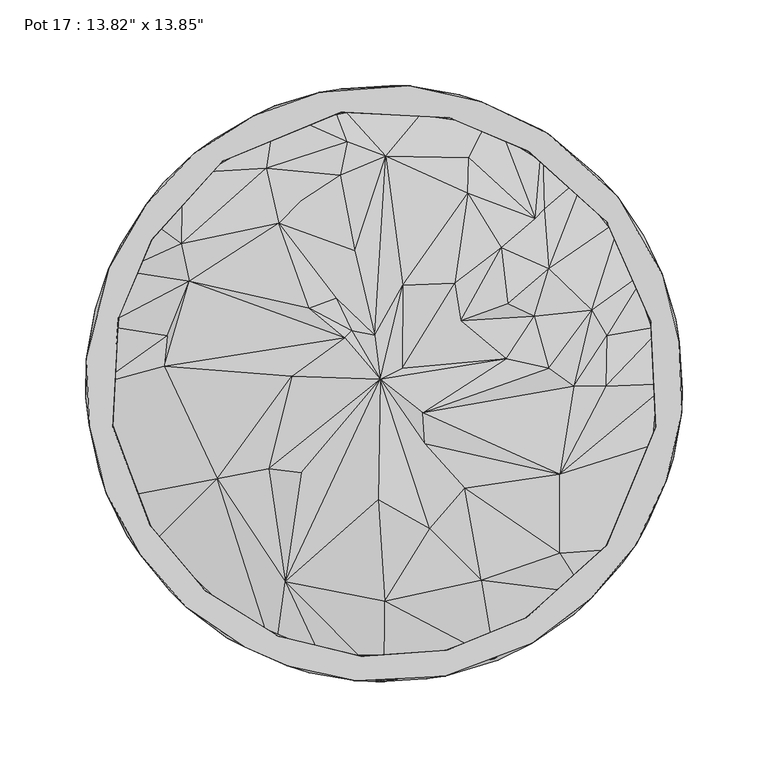
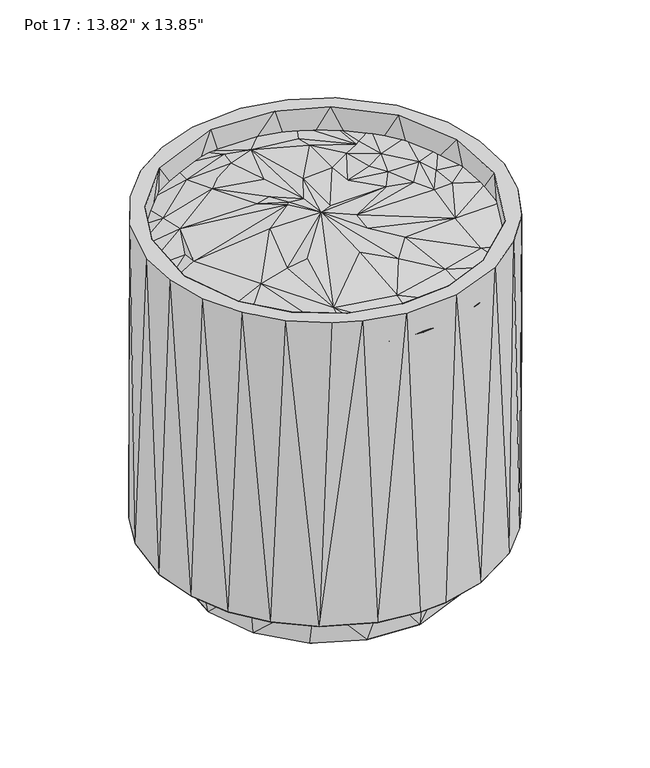
"""IFC4 building model written with IfcOpenShell, lengths in millimetres: furniture geometry."""

from ifc_helpers import new_model, si_unit, origin, place, context, project, spatial, triangles, source, transform, mapped, element, save


def furniture_623e7127(model_context):
    return source(origin(), model_context, "Body", "Tessellation", [
        triangles([(-91.2573295, -142.9584887, 346.9267891), (-63.6370177, -160.4206042, 348.4945713), (-138.3760014, -96.6887203, 348.6381309), (-116.2211854, -121.5964115, 346.9267891), (-32.1354863, -169.7817334, 347.9795955), (-57.5521012, -115.5260244, 360.2334987), (-97.1488939, -55.6866763, 363.842944), (0.3688336, -173.8039261, 348.5876252), (32.4027528, -168.6066779, 346.9267891), (64.3107911, -160.6133068, 348.6967755), (0.6771087, -127.0783534, 360.5346794), (91.7863851, -142.9583706, 346.9267891), (117.5322518, -122.2774655, 347.8164514), (56.8325503, -114.9286317, 361.1543364), (-3.2985212, -67.9220987, 372.0988355), (-67.1005236, -49.7156155, 366.07602), (-48.1340896, -52.1065806, 371.4786698), (-2.120018, 2.4438427, 372.7407294), (26.8480773, -84.6302176, 365.0974096), (102.6654267, -99.1087398, 358.3619923), (47.3117833, -61.0043478, 366.4751962), (138.847348, -96.3460995, 348.4401052), (-153.4261728, -66.261308, 348.2293985), (23.7481598, -35.0714558, 369.1351356), (102.6833035, -53.0649432, 363.1277261), (152.4600981, -65.8692352, 346.9267891), (163.0093997, -33.8624634, 347.9338497), (-128.1888506, 10.0837833, 358.9208244), (-165.8689998, -0.245586, 348.1039701), (-161.3054339, -33.6461135, 346.9267164), (-53.7064057, 4.243929, 371.5651108), (22.7267741, -16.9677961, 373.0269402), (166.1593891, -0.1558065, 347.9022019), (110.7563936, -1.7363764, 359.6016332), (129.6067238, -1.6208402, 360.2914166), (71.4724043, 14.5400236, 366.7469819), (96.0936531, 8.8235922, 366.4041613), (-126.3670959, 27.9564331, 354.3285539), (-163.0446991, 33.6437449, 348.4079123), (-22.9306225, 26.7058622, 373.117923), (-113.5172807, 59.523061, 359.1073319), (10.8838083, 8.8160748, 371.1378476), (11.0161301, 57.3606476, 370.5624467), (-18.6123848, 30.8492366, 371.7339231), (-5.1922799, 28.1763143, 372.732445), (44.8455821, 36.4650049, 370.1521883), (41.3565645, 58.4782302, 371.5900366), (87.6889245, 39.2448475, 362.5514168), (121.4289707, 42.632336, 359.1992595), (130.1081194, 27.9566443, 355.952837), (163.2831111, 33.6619329, 348.1705359), (-152.8790042, 65.8833605, 347.7625302), (-43.4050541, 44.0214182, 371.1005316), (-27.8627865, 49.6663543, 369.5081142), (-61.2168303, 93.4570135, 363.5056463), (1.2302399, 132.5599864, 359.6989746), (-16.992807, 77.4316654, 367.8861566), (72.2064983, 46.5289686, 369.6868461), (68.4525986, 79.1788153, 364.7949572), (96.234324, 66.8462423, 361.9931296), (153.5873367, 66.083103, 347.9648071), (138.2801497, 95.8969264, 347.9505275), (-118.0539133, 81.6108343, 358.8365999), (-137.2196675, 95.6054016, 347.4376591), (49.1013543, 111.1069355, 361.277948), (88.4299312, 96.2049472, 357.4399192), (93.6369898, 101.6828377, 355.3833587), (117.8145384, 122.2911728, 348.1584726), (-117.5227139, 122.5253519, 348.4467545), (-68.4931258, 125.604706, 356.1446494), (-49.0312595, 106.0098265, 362.2604462), (-25.415182, 121.3583537, 361.2890665), (92.3762292, 143.6239005, 347.8830897), (49.6442309, 131.628003, 355.4751409), (63.8377686, 159.7219186, 348.0378041), (-63.3389936, 159.7100189, 348.0378041), (-91.2575747, 142.6887832, 346.9267164), (-21.2001799, 141.0901707, 357.9399613), (32.6304438, 170.073031, 348.4533674), (-32.1950915, 169.3462222, 347.8485715), (0.2646446, 171.6377792, 346.9267164)], [[1, 2, 3], [1, 3, 4], [2, 5, 6], [2, 6, 7], [2, 7, 3], [5, 8, 6], [8, 9, 10], [8, 10, 11], [8, 11, 6], [10, 12, 13], [10, 14, 11], [10, 13, 14], [6, 11, 15], [6, 16, 7], [6, 17, 16], [6, 15, 18], [6, 18, 17], [11, 14, 19], [11, 19, 15], [14, 13, 20], [14, 20, 21], [14, 21, 19], [13, 22, 20], [3, 7, 23], [19, 21, 24], [19, 24, 18], [19, 18, 15], [20, 22, 25], [20, 25, 21], [22, 26, 27], [22, 27, 25], [23, 7, 28], [23, 29, 30], [23, 28, 29], [7, 16, 31], [7, 31, 28], [16, 17, 18], [16, 18, 31], [21, 25, 24], [25, 32, 24], [25, 27, 33], [25, 34, 32], [25, 35, 34], [25, 33, 35], [32, 18, 24], [32, 36, 18], [32, 37, 36], [32, 34, 37], [29, 28, 38], [29, 38, 39], [28, 40, 41], [28, 31, 40], [28, 41, 38], [31, 18, 40], [18, 42, 43], [18, 36, 42], [18, 44, 40], [18, 45, 44], [18, 43, 45], [42, 36, 46], [42, 46, 47], [42, 47, 43], [36, 37, 48], [36, 48, 46], [37, 34, 49], [37, 49, 48], [34, 35, 50], [34, 50, 49], [35, 33, 51], [35, 51, 50], [39, 38, 41], [39, 41, 52], [53, 40, 44], [53, 44, 54], [53, 41, 40], [53, 54, 55], [53, 55, 41], [44, 45, 54], [45, 43, 56], [45, 57, 54], [45, 56, 57], [46, 48, 58], [46, 58, 59], [46, 59, 47], [48, 49, 60], [48, 60, 58], [49, 50, 61], [49, 61, 62], [49, 62, 60], [50, 51, 61], [52, 41, 63], [52, 63, 64], [41, 55, 63], [54, 57, 55], [43, 47, 65], [43, 65, 56], [47, 59, 65], [58, 60, 59], [60, 66, 59], [60, 67, 66], [60, 62, 68], [60, 68, 67], [64, 63, 69], [63, 55, 70], [63, 70, 69], [55, 71, 70], [55, 57, 71], [71, 57, 72], [71, 72, 70], [57, 56, 72], [59, 66, 65], [66, 67, 73], [66, 74, 65], [66, 75, 74], [66, 73, 75], [67, 68, 73], [69, 70, 76], [69, 76, 77], [70, 72, 78], [70, 78, 76], [72, 56, 78], [56, 65, 74], [56, 74, 79], [56, 80, 78], [56, 79, 80], [74, 75, 79], [76, 78, 80], [80, 79, 81]], closed=False),
        triangles([(32.6244826, -156.4389977, 312.5777593), (-13.0834583, -159.2492186, 375.22964), (36.7383962, -155.5863244, 375.2294947), (79.3414144, -138.789103, 312.5777593), (-87.3775517, -133.5404953, 312.5779046), (-132.9433933, -89.5214343, 312.5777593), (-104.0592188, -121.0154876, 375.22964), (-61.5994922, -147.3368552, 375.2295673), (82.9901651, -136.7072624, 375.2295673), (126.4390937, -99.2009943, 312.5778319), (-159.0054108, -19.302644, 312.5779046), (-158.2181405, -25.3358263, 375.2253161), (-136.3084313, -82.8604674, 375.22964), (130.1481696, -94.3782146, 375.2253161), (154.2236896, -42.2629999, 312.5779046), (158.7059559, -25.4236162, 375.2754221), (159.5358835, 19.0368933, 312.5779046), (-153.6951063, 41.9924723, 312.5777593), (-154.8030328, 37.9408754, 375.22964), (155.7156951, 36.3410639, 375.22964), (138.918401, 78.9431374, 312.5777593), (-133.1422365, 87.5067499, 312.5778319), (-135.4479824, 83.9949911, 375.2294947), (-99.5292628, 124.4428493, 312.5778319), (-94.1407654, 129.6322673, 375.2252798), (130.030635, 94.271317, 375.2252798), (107.6970055, 117.9183384, 312.5777229), (-56.1482897, 149.1834812, 312.5778319), (84.393259, 135.5781888, 375.22964), (55.4921615, 150.478097, 312.5779046), (-7.2457792, 159.3077542, 312.5777593), (-24.9388211, 158.3475294, 375.2251345), (38.3393749, 154.9329304, 375.2294947), (-81.4187494, -153.6481251, 375.2418122), (-115.1788254, -130.6038649, 375.2651393), (-56.3602453, -164.5525467, 375.2414125), (-16.4427759, -173.5422415, 375.2651393), (35.630942, -170.8892239, 375.2490066), (86.6661035, -151.6030737, 375.2491519), (121.0546477, -125.2317092, 375.2415942), (-142.1885503, -99.8683137, 375.2414852), (147.1865192, -93.7463309, 375.2652846), (-161.8285124, -63.9719355, 375.2652846), (164.6821537, -56.7593489, 375.2415942), (-171.9315113, -24.3657979, 375.2418122), (173.671485, -16.8437654, 375.2651393), (-173.5260542, 14.1784769, 375.2489702), (172.4686697, 24.0565758, 375.2414852), (-160.5966109, 67.1840396, 375.2488976), (162.3566234, 63.7046599, 375.2651393), (-138.6086906, 104.5267503, 375.2414125), (136.3508706, 108.8996211, 375.2490066), (-110.5387198, 134.2977619, 375.2649576), (-75.9568235, 156.1661945, 375.2414125), (-37.4314793, 169.9490197, 375.2651393), (95.9980466, 145.6154305, 375.2491519), (14.5781039, 173.6559518, 375.2490066), (56.8892964, 164.2833408, 375.2415942), (-77.7170676, -108.0531066, 0.0540604), (-31.1336511, -128.8478856, 0.2493915), (-74.1853701, -111.770912, 47.2174894), (-112.9209962, -68.9790563, 0.0025994), (21.29984, -131.6378589, 0.0038084), (-14.0621663, -131.9473058, 47.2208504), (78.7079319, -107.7556502, 0.0179483), (66.151381, -115.1942496, 47.2208504), (27.3704519, -129.923356, 47.2209049), (124.3252783, -51.0523253, 0.0027045), (98.4814161, -89.2033124, 47.220746), (-114.794492, -66.0230685, 47.2206415), (-131.2141384, -21.1642764, 0.3471097), (-128.438472, 31.2379393, 0.0490142), (-107.5727943, 77.9423537, 0.0117457), (78.3398131, 107.7034005, 0.0054905), (113.4541032, 68.6897571, 0.0490668), (131.7410502, 20.8994783, 0.3463212), (133.4345334, -4.8897713, 47.2192199), (121.19818, -54.4932263, 47.2207959), (-133.8114726, -5.5228619, 47.2173259), (-120.6693605, 54.2235843, 47.220587), (124.2148835, 46.9404578, 47.2206415), (97.790479, 90.6662046, 47.2191699), (-97.9523696, 88.9339884, 47.2206415), (-60.3652016, 118.4100326, 0.3468994), (10.2572443, 133.5619693, 0.0775044), (-65.623043, 114.9247166, 47.220537), (-26.8421184, 129.6538684, 47.220537), (14.590502, 131.6779364, 47.2204825), (54.6231284, 120.7988947, 47.2204825), (-91.3884624, -148.4846049, 47.2951737), (-124.8326329, -120.9250407, 47.2977035), (-43.3642862, -168.7937486, 47.2894464), (-2.7809142, -174.003387, 47.2979124), (24.4963177, -172.330088, 47.2979124), (66.4093503, -161.4814769, 47.2950692), (111.0675302, -134.5666681, 47.2893919), (-149.8453594, -88.5450404, 47.2891875), (139.1367925, -104.7959199, 47.297758), (153.8167013, -81.7444199, 47.2977035), (-166.0356503, -50.9667973, 47.297599), (168.9233737, -43.7631536, 47.2893419), (-173.9206341, -8.3535837, 47.2950192), (174.1328304, -3.1802059, 47.297599), (-168.3943362, 43.4944609, 47.2891875), (170.347451, 37.5610408, 47.2891875), (-153.2714403, 81.5133476, 47.297599), (151.7329259, 86.2665367, 47.2949647), (-128.7152811, 117.220434, 47.2949647), (91.9172728, 148.2149629, 47.2947558), (125.3614433, 120.6554987, 47.297758), (-99.433184, 142.3393768, 47.2973901), (-63.5745533, 161.9574653, 47.2890285), (-23.9267349, 172.0697114, 47.297599), (3.3516884, 173.7298754, 47.2973901), (43.8933373, 168.524143, 47.289083), (-30.721426, -157.5326627, 312.5779046)], [[1, 2, 3], [1, 3, 4], [5, 6, 7], [5, 7, 8], [4, 3, 9], [4, 9, 10], [6, 11, 12], [6, 13, 7], [6, 12, 13], [10, 9, 14], [10, 14, 15], [15, 14, 16], [15, 16, 17], [11, 18, 19], [11, 19, 12], [17, 20, 21], [17, 16, 20], [18, 22, 23], [18, 23, 19], [22, 24, 25], [22, 25, 23], [21, 20, 26], [21, 26, 27], [24, 28, 25], [27, 26, 29], [27, 29, 30], [28, 31, 32], [28, 32, 25], [31, 30, 33], [31, 33, 32], [30, 29, 33], [34, 8, 35], [34, 36, 8], [8, 36, 2], [8, 7, 35], [36, 37, 2], [37, 38, 3], [37, 3, 2], [38, 39, 9], [38, 9, 3], [39, 40, 14], [39, 14, 9], [35, 7, 41], [7, 13, 41], [40, 42, 14], [41, 13, 43], [13, 12, 43], [14, 42, 16], [42, 44, 16], [43, 12, 45], [44, 46, 16], [45, 12, 47], [12, 19, 47], [16, 46, 20], [46, 48, 20], [47, 19, 49], [48, 50, 20], [49, 19, 23], [49, 23, 51], [20, 50, 26], [50, 52, 26], [23, 53, 51], [23, 25, 53], [26, 52, 29], [53, 25, 54], [25, 55, 54], [25, 32, 55], [29, 52, 56], [29, 56, 33], [55, 32, 57], [32, 33, 57], [57, 33, 58], [33, 56, 58], [59, 60, 61], [59, 61, 62], [59, 63, 60], [59, 62, 63], [60, 63, 64], [60, 64, 61], [63, 65, 66], [63, 67, 64], [63, 66, 67], [63, 62, 68], [63, 68, 65], [65, 68, 69], [65, 69, 66], [62, 61, 70], [62, 70, 71], [62, 71, 72], [62, 72, 73], [62, 73, 74], [62, 74, 68], [68, 75, 76], [68, 74, 75], [68, 76, 77], [68, 78, 69], [68, 77, 78], [71, 70, 79], [71, 79, 72], [72, 79, 80], [72, 80, 73], [76, 75, 81], [76, 81, 77], [75, 74, 82], [75, 82, 81], [73, 80, 83], [73, 83, 84], [73, 84, 85], [73, 85, 74], [84, 83, 86], [84, 86, 87], [84, 87, 85], [85, 87, 88], [85, 88, 89], [85, 89, 74], [74, 89, 82], [90, 91, 61], [90, 61, 92], [90, 92, 36], [90, 34, 35], [90, 36, 34], [90, 35, 91], [92, 61, 64], [92, 64, 93], [92, 93, 37], [92, 37, 36], [93, 64, 94], [93, 94, 38], [93, 38, 37], [94, 64, 67], [94, 67, 95], [94, 95, 38], [95, 67, 66], [95, 66, 96], [95, 96, 39], [95, 39, 38], [91, 97, 70], [91, 70, 61], [91, 35, 41], [91, 41, 97], [66, 69, 96], [96, 98, 40], [96, 40, 39], [96, 69, 98], [98, 99, 42], [98, 42, 40], [98, 69, 99], [97, 100, 79], [97, 79, 70], [97, 41, 43], [97, 43, 100], [69, 78, 99], [99, 101, 44], [99, 44, 42], [99, 78, 101], [100, 102, 79], [100, 43, 45], [100, 45, 102], [78, 77, 101], [101, 77, 103], [101, 103, 46], [101, 46, 44], [102, 104, 79], [102, 45, 47], [102, 47, 104], [79, 104, 80], [77, 81, 105], [77, 105, 103], [103, 105, 48], [103, 48, 46], [104, 47, 49], [104, 49, 106], [104, 106, 80], [80, 106, 83], [81, 82, 107], [81, 107, 105], [105, 107, 50], [105, 50, 48], [106, 49, 51], [106, 51, 108], [106, 108, 83], [83, 108, 86], [82, 89, 109], [82, 110, 107], [82, 109, 110], [107, 110, 52], [107, 52, 50], [108, 51, 53], [108, 53, 111], [108, 111, 86], [86, 111, 112], [86, 112, 87], [87, 112, 113], [87, 113, 88], [88, 113, 114], [88, 114, 115], [88, 115, 89], [89, 115, 109], [110, 109, 56], [110, 56, 52], [111, 53, 54], [111, 54, 112], [112, 54, 55], [112, 55, 113], [113, 55, 57], [113, 57, 114], [114, 57, 115], [115, 57, 58], [115, 58, 109], [109, 58, 56], [116, 5, 8], [116, 8, 2], [116, 2, 1]], closed=False),
    ])


if __name__ == "__main__":
    model = new_model("IFC4")
    model_context = context("Model", 3, world=origin())
    ifc_project = project(units=[si_unit("LENGTHUNIT", "METRE", prefix="MILLI")], contexts=[model_context])
    site = spatial("IfcSite", under=ifc_project)
    building = spatial("IfcBuilding", under=site)
    placement = place(None, origin())
    furniture_shape = furniture_623e7127(model_context)
    element("IfcFurniture", 1, ObjectType="Pot 17 : 13.82\" x 13.85\"", at=placement, inside=building, context=model_context, shape_type="MappedRepresentation", body=[
        mapped(furniture_shape, transform((0.0, 0.0, 0.0), x_axis=(1.0, 0.0, 0.0), y_axis=(0.0, 1.0, 0.0), z_axis=(0.0, 0.0, 1.0))),
    ])
    save(model, "model.ifc")
